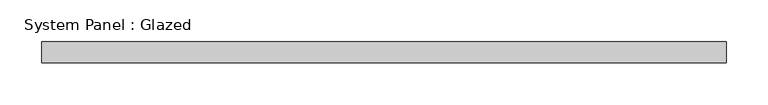
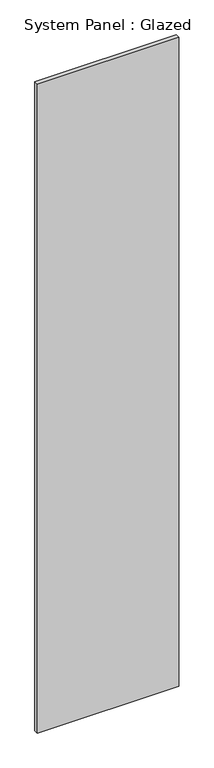
"""IFC4 building model written with IfcOpenShell, lengths in millimetres: plate geometry, System Panel : Glazed."""

from ifc_helpers import new_model, si_unit, origin, origin_with_axes, place, context, project, spatial, polyline, outline, extrude, source, transform, mapped, element, save


def system_panel_glazed_739b5ea6(model_context):
    return source(origin(), model_context, "Body", "SweptSolid", [
        extrude(outline(polyline([(410.5177143, -49.5), (-410.5177143, -49.5), (-410.5177143, -24.5), (410.5177143, -24.5), (410.5177143, -49.5)])), origin_with_axes(), (0.0, 0.0, 1.0), 3985.0),
    ])


if __name__ == "__main__":
    model = new_model("IFC4")
    model_context = context("Model", 3, world=origin())
    ifc_project = project(units=[si_unit("LENGTHUNIT", "METRE", prefix="MILLI")], contexts=[model_context])
    site = spatial("IfcSite", under=ifc_project)
    building = spatial("IfcBuilding", under=site)
    placement = place(None, origin())
    system_panel_glazed_shape = system_panel_glazed_739b5ea6(model_context)
    element("IfcPlate", 1, ObjectType="System Panel : Glazed", at=placement, inside=building, context=model_context, shape_type="MappedRepresentation", body=[
        mapped(system_panel_glazed_shape, transform((0.0, 0.0, 0.0), x_axis=(1.0, 0.0, 0.0), y_axis=(0.0, 1.0, 0.0), z_axis=(0.0, 0.0, 1.0))),
    ])
    save(model, "model.ifc")
